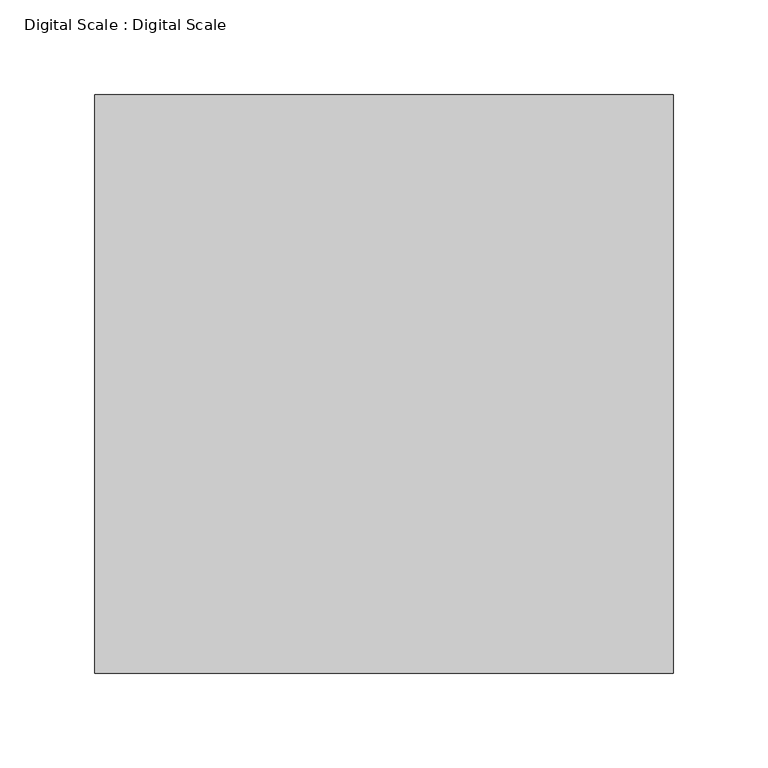
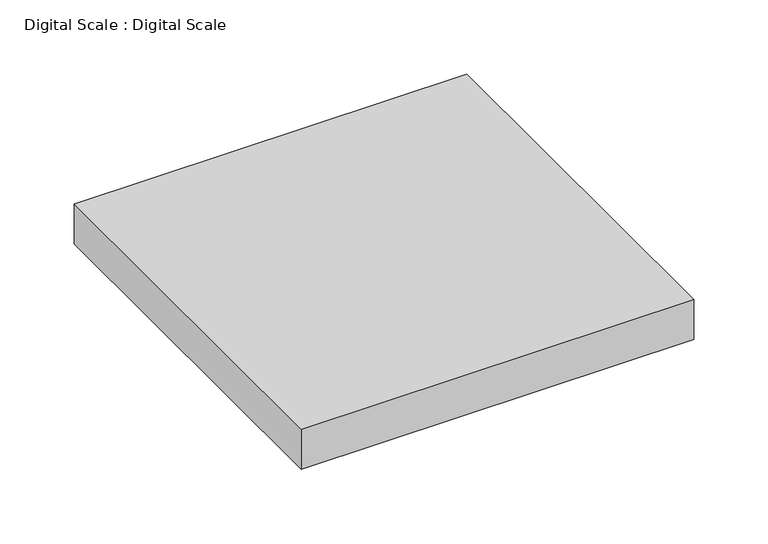
"""IFC4 building model written with IfcOpenShell, lengths in millimetres: proxy geometry, Digital Scale : Digital Scale."""

from ifc_helpers import new_model, si_unit, frame, origin, place, context, project, spatial, polyline, outline, extrude, source, transform, mapped, element, save


def digital_scale_digital_scale_3413aeb4(model_context):
    return source(origin(), model_context, "Body", "SweptSolid", [
        extrude(outline(polyline([(41757.6, 37185.6), (41757.6, 36880.8), (41452.8, 36880.8), (41452.8, 37185.6), (41757.6, 37185.6)])), frame((0.0, 0.0, 914.9715131), z_axis=(0.0, 0.0, 1.0), x_axis=(1.0, 0.0, 0.0)), (0.0, 0.0, 1.0), 32.8981818),
    ])


if __name__ == "__main__":
    model = new_model("IFC4")
    model_context = context("Model", 3, world=origin())
    ifc_project = project(units=[si_unit("LENGTHUNIT", "METRE", prefix="MILLI")], contexts=[model_context])
    site = spatial("IfcSite", under=ifc_project)
    building = spatial("IfcBuilding", under=site)
    placement = place(None, origin())
    digital_scale_digital_scale_shape = digital_scale_digital_scale_3413aeb4(model_context)
    element("IfcBuildingElementProxy", 1, Name="Digital Scale : Digital Scale", ObjectType="Digital Scale : Digital Scale", at=placement, inside=building, context=model_context, shape_type="MappedRepresentation", body=[
        mapped(digital_scale_digital_scale_shape, transform((0.0, 0.0, 0.0), x_axis=(1.0, 0.0, 0.0), y_axis=(0.0, 1.0, 0.0), z_axis=(0.0, 0.0, 1.0))),
    ])
    save(model, "model.ifc")
